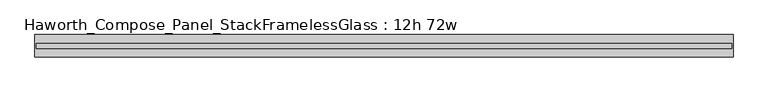
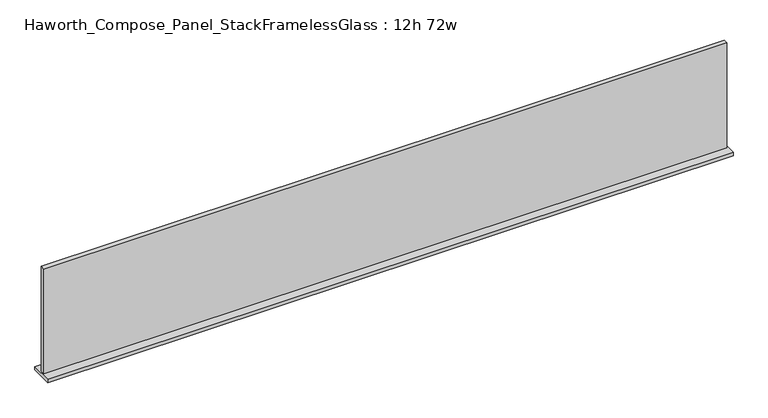
"""IFC4 building model written with IfcOpenShell, lengths in millimetres: furniture geometry, Haworth_Compose_Panel_StackFramelessGlass : 12h 72w."""

from ifc_helpers import new_model, si_unit, frame, origin, place, context, project, spatial, polyline, outline, extrude, source, transform, mapped, element, save


def haworth_compose_panel_stackframelessglass_12h_72w_5a677363(model_context):
    return source(origin(), model_context, "Body", "SweptSolid", [
        extrude(outline(polyline([(913.6652902, -27.3093594), (-908.7847098, -27.3093594), (-908.7847098, -14.6093594), (913.6652902, -14.6093594), (913.6652902, -27.3093594)])), frame((0.0, 0.0, 1279.525), z_axis=(0.0, 0.0, 1.0), x_axis=(1.0, 0.0, 0.0)), (0.0, 0.0, 1.0), 295.275),
        extrude(outline(polyline([(-911.9597098, -50.3281094), (-911.9597098, 8.4093906), (916.8402902, 8.4093906), (916.8402902, -50.3281094), (-911.9597098, -50.3281094)])), frame((0.0, 0.0, 1270.0), z_axis=(0.0, 0.0, 1.0), x_axis=(1.0, 0.0, 0.0)), (0.0, 0.0, 1.0), 9.525),
    ])


if __name__ == "__main__":
    model = new_model("IFC4")
    model_context = context("Model", 3, world=origin())
    ifc_project = project(units=[si_unit("LENGTHUNIT", "METRE", prefix="MILLI")], contexts=[model_context])
    site = spatial("IfcSite", under=ifc_project)
    building = spatial("IfcBuilding", under=site)
    placement = place(None, origin())
    haworth_compose_panel_stackframelessglass_12h_72w_shape = haworth_compose_panel_stackframelessglass_12h_72w_5a677363(model_context)
    element("IfcFurniture", 1, ObjectType="Haworth_Compose_Panel_StackFramelessGlass : 12h 72w", at=placement, inside=building, context=model_context, shape_type="MappedRepresentation", body=[
        mapped(haworth_compose_panel_stackframelessglass_12h_72w_shape, transform((0.0, 0.0, 0.0), x_axis=(1.0, 0.0, 0.0), y_axis=(0.0, 1.0, 0.0), z_axis=(0.0, 0.0, 1.0))),
    ])
    save(model, "model.ifc")
